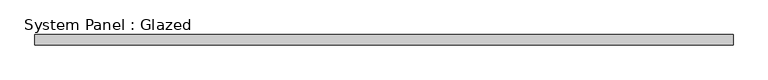
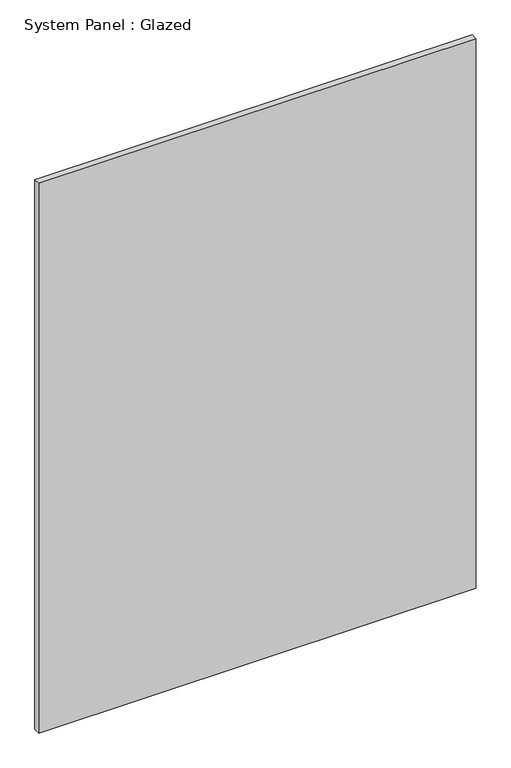
"""IFC4 building model written with IfcOpenShell, lengths in millimetres: plate geometry, System Panel : Glazed."""

from ifc_helpers import new_model, si_unit, origin, origin_with_axes, place, context, project, spatial, polyline, outline, extrude, source, transform, mapped, element, save


def system_panel_glazed_9d62be80(model_context):
    return source(origin(), model_context, "Body", "SweptSolid", [
        extrude(outline(polyline([(839.0000001, 24.5), (-839.0000001, 24.5), (-839.0000001, 49.5), (839.0000001, 49.5), (839.0000001, 24.5)])), origin_with_axes(), (0.0, 0.0, 1.0), 2230.4277428),
    ])


if __name__ == "__main__":
    model = new_model("IFC4")
    model_context = context("Model", 3, world=origin())
    ifc_project = project(units=[si_unit("LENGTHUNIT", "METRE", prefix="MILLI")], contexts=[model_context])
    site = spatial("IfcSite", under=ifc_project)
    building = spatial("IfcBuilding", under=site)
    placement = place(None, origin())
    system_panel_glazed_shape = system_panel_glazed_9d62be80(model_context)
    element("IfcPlate", 1, ObjectType="System Panel : Glazed", at=placement, inside=building, context=model_context, shape_type="MappedRepresentation", body=[
        mapped(system_panel_glazed_shape, transform((0.0, 0.0, 0.0), x_axis=(1.0, 0.0, 0.0), y_axis=(0.0, 1.0, 0.0), z_axis=(0.0, 0.0, 1.0))),
    ])
    save(model, "model.ifc")
